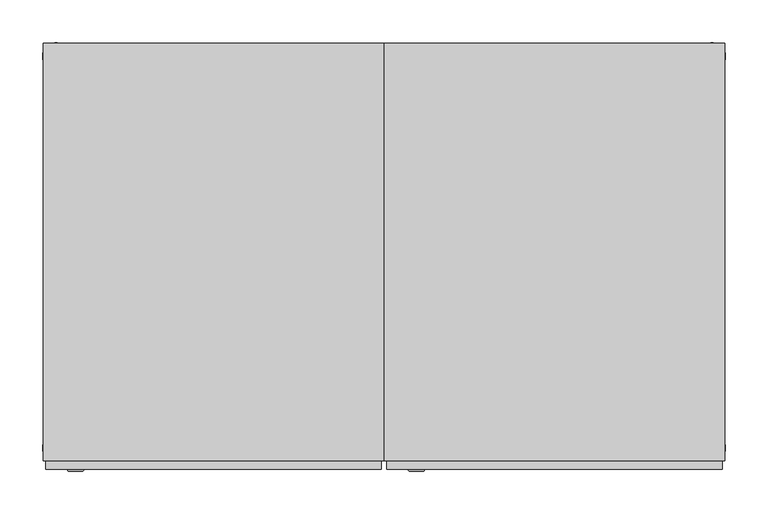
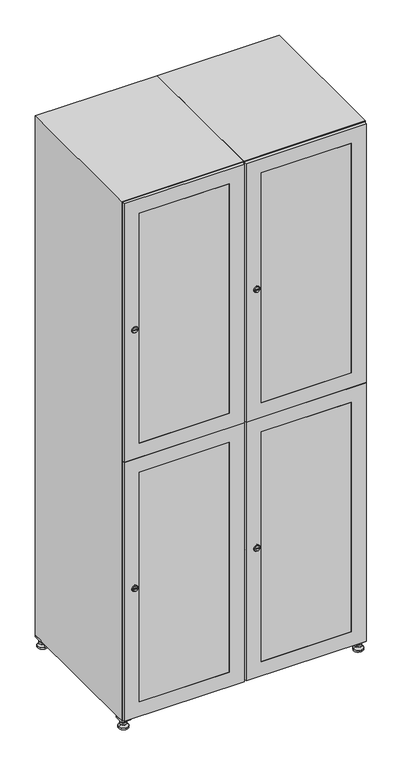
"""IFC4 building model written with IfcOpenShell, lengths in millimetres: furniture geometry."""

import ifcopenshell
import ifcopenshell.guid

model = None  # the IFC model being written
_history = None  # IfcOwnerHistory: only IFC2X3 demands one
_inside = {}  # id of a spatial element -> (the spatial element, [elements in it])
_under = {}  # id of a project, library or spatial element -> (it, [spatial elements below it])
_declared = {}  # id of a project -> (the project, [libraries it declares])
_typed = {}  # id of a type object -> (the type object, [elements of that type])
_made_of = {}  # id of a material, layer set ... -> (it, [elements and type objects made of it])


def new_model(schema):
    """Start an empty IFC model of exactly this schema.

    Asked for "IFC4X3", IfcOpenShell would pick the latest addendum, in which some entities
    have other attributes; the version numbers below select the first issue.
    IFC2X3 requires an IfcOwnerHistory on every rooted entity: one is made here for all.
    """
    global model, _history
    if schema == "IFC4X3":
        model = ifcopenshell.file(schema_version=(4, 3, 0, 0))
    else:
        model = ifcopenshell.file(schema=schema)
    _inside.clear()
    _under.clear()
    _declared.clear()
    _typed.clear()
    _made_of.clear()
    _history = None
    if model.schema == "IFC2X3":
        org = make("IfcOrganization", Name="unknown")
        user = make(
            "IfcPersonAndOrganization",
            ThePerson=make("IfcPerson", FamilyName="unknown"),
            TheOrganization=org,
        )
        app = make(
            "IfcApplication",
            ApplicationDeveloper=org,
            Version="unknown",
            ApplicationFullName="unknown",
            ApplicationIdentifier="unknown",
        )
        _history = make(
            "IfcOwnerHistory",
            OwningUser=user,
            OwningApplication=app,
            ChangeAction="ADDED",
            CreationDate=0,
        )
    return model


def make(cls, **values):
    """One entity of the class cls with the attributes given. An attribute that is None is left unset."""
    return model.create_entity(
        cls, **{name: value for name, value in values.items() if value is not None}
    )


def rooted(cls, **values):
    """An entity with a GlobalId (a new one), such as an element, a storey or a relation."""
    return make(cls, GlobalId=ifcopenshell.guid.new(), OwnerHistory=_history, **values)


def si_unit(unit_type, name, prefix=None):
    """IfcSIUnit, for example si_unit("LENGTHUNIT", "METRE", prefix="MILLI")."""
    return make("IfcSIUnit", UnitType=unit_type, Prefix=prefix, Name=name)


def assignment(units):
    """IfcUnitAssignment: the units of a project."""
    return None if units is None else make("IfcUnitAssignment", Units=units)


def point(xyz):
    """IfcCartesianPoint."""
    return None if xyz is None else make("IfcCartesianPoint", Coordinates=xyz)


def direction(xyz):
    """IfcDirection."""
    return None if xyz is None else make("IfcDirection", DirectionRatios=xyz)


def frame(location, z_axis=None, x_axis=None):
    """IfcAxis2Placement3D, a coordinate frame: its origin and axes. An axis left out is left unset."""
    return make(
        "IfcAxis2Placement3D",
        Location=point(location),
        Axis=direction(z_axis),
        RefDirection=direction(x_axis),
    )


def frame_2d(location, x_axis=None):
    """IfcAxis2Placement2D, a coordinate frame in the plane: its origin and x axis."""
    return make(
        "IfcAxis2Placement2D", Location=point(location), RefDirection=direction(x_axis)
    )


def origin():
    """The frame at (0, 0, 0) with its axes left unset."""
    return frame((0.0, 0.0, 0.0))


def origin_with_axes():
    """The frame at (0, 0, 0) with the z axis (0, 0, 1) and the x axis (1, 0, 0) written out."""
    return frame((0.0, 0.0, 0.0), z_axis=(0.0, 0.0, 1.0), x_axis=(1.0, 0.0, 0.0))


def place(relative_to, where):
    """IfcLocalPlacement: puts the frame where relative to a parent placement (None: the world)."""
    return make(
        "IfcLocalPlacement", PlacementRelTo=relative_to, RelativePlacement=where
    )


def context(
    kind, dimensions, precision=None, world=None, true_north=None, identifier=None
):
    """IfcGeometricRepresentationContext, for example the 3D "Model" context."""
    return make(
        "IfcGeometricRepresentationContext",
        ContextIdentifier=identifier,
        ContextType=kind,
        CoordinateSpaceDimension=dimensions,
        Precision=precision,
        WorldCoordinateSystem=world,
        TrueNorth=true_north,
    )


def project(units=None, contexts=None):
    """IfcProject with its units and contexts."""
    return rooted(
        "IfcProject",
        Name="project",
        RepresentationContexts=contexts,
        UnitsInContext=assignment(units),
    )


def spatial(cls, under=None, at=None, **own):
    """A site, building, storey or space (cls), placed at a placement, below another one or the project."""
    s = rooted(cls, ObjectPlacement=at, **own)
    if under is not None:
        _under.setdefault(under.id(), (under, []))[1].append(s)
    return s


def polyline(points):
    """IfcPolyline through the points."""
    return make("IfcPolyline", Points=[point(p) for p in points])


def circle_curve(where, radius):
    """IfcCircle in the frame where."""
    return make("IfcCircle", Position=where, Radius=radius)


def trimmed(basis, trim1, trim2, sense, master):
    """IfcTrimmedCurve: the piece of a basis curve between two trims."""
    return make(
        "IfcTrimmedCurve",
        BasisCurve=basis,
        Trim1=trim1,
        Trim2=trim2,
        SenseAgreement=sense,
        MasterRepresentation=master,
    )


def segment(curve, same_sense, transition):
    """IfcCompositeCurveSegment."""
    return make(
        "IfcCompositeCurveSegment",
        Transition=transition,
        SameSense=same_sense,
        ParentCurve=curve,
    )


def composite_curve(segments, self_intersect=None):
    """IfcCompositeCurve: segments joined end to end."""
    return make("IfcCompositeCurve", Segments=segments, SelfIntersect=self_intersect)


def outline(outer, holes=None, kind="AREA"):
    """IfcArbitraryClosedProfileDef: a profile drawn as a closed curve; with holes, ...WithVoids."""
    if holes is None:
        return make("IfcArbitraryClosedProfileDef", ProfileType=kind, OuterCurve=outer)
    return make(
        "IfcArbitraryProfileDefWithVoids",
        ProfileType=kind,
        OuterCurve=outer,
        InnerCurves=holes,
    )


def extrude(swept, where, along, depth):
    """IfcExtrudedAreaSolid: the profile swept, set in the frame where, extruded along a direction by depth."""
    return make(
        "IfcExtrudedAreaSolid",
        SweptArea=swept,
        Position=where,
        ExtrudedDirection=direction(along),
        Depth=depth,
    )


def faces_of(points, faces, orient=None, outer=None):
    """IfcFace entities. A face is a list of loops; a loop is a list of indices into points, from 0.

    orient and outer hold one flag for each loop. By default every Orientation is true, the
    first loop of a face is its IfcFaceOuterBound and the others are IfcFaceBound.
    """
    made = []
    for i, loops in enumerate(faces):
        bounds = []
        for j, loop in enumerate(loops):
            is_outer = j == 0 if outer is None else outer[i][j]
            bounds.append(
                make(
                    "IfcFaceOuterBound" if is_outer else "IfcFaceBound",
                    Bound=make("IfcPolyLoop", Polygon=[points[k] for k in loop]),
                    Orientation=True if orient is None else orient[i][j],
                )
            )
        made.append(make("IfcFace", Bounds=bounds))
    return made


def faceted_brep(points, faces, orient=None, outer=None, voids=None):
    """IfcFacetedBrep: a solid bounded by flat faces; with voids (closed shells), ...WithVoids."""
    shared = [point(p) for p in points]
    hull = make("IfcClosedShell", CfsFaces=faces_of(shared, faces, orient, outer))
    if voids is None:
        return make("IfcFacetedBrep", Outer=hull)
    return make(
        "IfcFacetedBrepWithVoids",
        Outer=hull,
        Voids=[
            make(cls, CfsFaces=faces_of(shared, fs, o, b)) for cls, fs, o, b in voids
        ],
    )


def shape(context_of_items, identifier, shape_type, items):
    """IfcShapeRepresentation: the items that make up one representation, for example the "Body"."""
    return make(
        "IfcShapeRepresentation",
        ContextOfItems=context_of_items,
        RepresentationIdentifier=identifier,
        RepresentationType=shape_type,
        Items=items,
    )


def source(mapping_origin, context_of_items, identifier, shape_type, items):
    """IfcRepresentationMap: a shape defined once, which mapped items show again and again."""
    return make(
        "IfcRepresentationMap",
        MappingOrigin=mapping_origin,
        MappedRepresentation=shape(context_of_items, identifier, shape_type, items),
    )


def transform(
    local_origin,
    x_axis=None,
    y_axis=None,
    z_axis=None,
    scale=None,
    scale2=None,
    scale3=None,
    uniform=True,
):
    """IfcCartesianTransformationOperator3D, or its non-uniform kind. x_axis, y_axis, z_axis: its Axis1, 2, 3."""
    if uniform:
        return make(
            "IfcCartesianTransformationOperator3D",
            Axis1=direction(x_axis),
            Axis2=direction(y_axis),
            LocalOrigin=point(local_origin),
            Scale=scale,
            Axis3=direction(z_axis),
        )
    return make(
        "IfcCartesianTransformationOperator3DnonUniform",
        Axis1=direction(x_axis),
        Axis2=direction(y_axis),
        LocalOrigin=point(local_origin),
        Scale=scale,
        Axis3=direction(z_axis),
        Scale2=scale2,
        Scale3=scale3,
    )


def mapped(mapping_source, mapping_target):
    """IfcMappedItem: shows the shape of a source again, moved by a transform."""
    return make(
        "IfcMappedItem", MappingSource=mapping_source, MappingTarget=mapping_target
    )


def made_of(thing, what):
    """Note that an element or type object is made of a material, layer set ...; save() writes the relation."""
    if what is not None:
        _made_of.setdefault(what.id(), (what, []))[1].append(thing)
    return thing


def element(
    cls,
    number,
    at=None,
    inside=None,
    cuts=None,
    type_object=None,
    material=None,
    context=None,
    identifier="Body",
    shape_type=None,
    held_by="IfcProductDefinitionShape",
    body=None,
    shapes=None,
    **own,
):
    """One element of the class cls, such as IfcWall. Its Tag is "e" and its number.

    at: its placement. inside: the storey or other place that contains it. cuts: it is an
    opening in that element (IfcRelVoidsElement). A single representation is given by context,
    identifier, shape_type and body (its items); several are given by shapes. held_by: the class
    of the entity that holds the representations. save() writes the other relations.
    """
    e = rooted(cls, Tag="e%d" % number, ObjectPlacement=at, **own)
    if body is not None:
        shapes = [shape(context, identifier, shape_type, body)]
    if shapes is not None:
        e.Representation = make(held_by, Representations=shapes)
    if inside is not None:
        _inside.setdefault(inside.id(), (inside, []))[1].append(e)
    if cuts is not None:
        rooted(
            "IfcRelVoidsElement", RelatingBuildingElement=cuts, RelatedOpeningElement=e
        )
    if type_object is not None:
        _typed.setdefault(type_object.id(), (type_object, []))[1].append(e)
    return made_of(e, material)


def aggregate(whole, parts):
    """IfcRelAggregates: a whole, such as a stair, and the parts it consists of."""
    return rooted("IfcRelAggregates", RelatingObject=whole, RelatedObjects=parts)


def save(model, path):
    """Write the relations noted so far, then the file.

    IfcRelAggregates (storeys below a building ...), IfcRelContainedInSpatialStructure (elements
    in a storey), IfcRelDefinesByType, IfcRelAssociatesMaterial and IfcRelDeclares: one each for
    every whole, place, type object, material and project.
    """
    for whole, parts in _under.values():
        aggregate(whole, parts)
    for where, things in _inside.values():
        rooted(
            "IfcRelContainedInSpatialStructure",
            RelatedElements=things,
            RelatingStructure=where,
        )
    for kind, things in _typed.values():
        rooted("IfcRelDefinesByType", RelatedObjects=things, RelatingType=kind)
    for what, things in _made_of.values():
        rooted("IfcRelAssociatesMaterial", RelatedObjects=things, RelatingMaterial=what)
    for by, libraries in _declared.values():
        rooted("IfcRelDeclares", RelatingContext=by, RelatedDefinitions=libraries)
    model.write(path)


def plane_surface(at):
    """IfcPlane: the flat surface through the origin of the frame at, square to its z axis."""
    return make("IfcPlane", Position=at)


def revolved_surface(curve, axis_point, axis_direction):
    """IfcSurfaceOfRevolution: the curve turned about the line through axis_point along axis_direction."""
    return make(
        "IfcSurfaceOfRevolution",
        SweptCurve=make("IfcArbitraryOpenProfileDef", ProfileType="CURVE", Curve=curve),
        AxisPosition=make("IfcAxis1Placement", Location=point(axis_point), Axis=direction(axis_direction)),
    )


def advanced_brep(points, edges, surfaces, faces):
    """IfcAdvancedBrep: a solid bounded by faces that lie on surfaces and meet in shared edges.

    An edge is (start, end): straight between two places in points (the first is 0);
    or (start, end, curve); or (start, end, curve, False) where it runs against its curve.
    A face is (place in surfaces, loops), or (place, loops, False) where it looks against
    its surface's normal. A loop lists edges by number (the first is 1), with a minus sign
    where the edge is run from its end to its start. The first loop is the outer one.
    """
    corners = [point(p) for p in points]
    vertices = [make("IfcVertexPoint", VertexGeometry=c) for c in corners]
    made = []
    for start, end, *more in edges:
        made.append(
            make(
                "IfcEdgeCurve",
                EdgeStart=vertices[start],
                EdgeEnd=vertices[end],
                EdgeGeometry=more[0] if more else make("IfcPolyline", Points=[corners[start], corners[end]]),
                SameSense=more[1] if len(more) > 1 else True,
            )
        )
    hull = []
    for where, loops, *sense in faces:
        bounds = []
        for j, loop in enumerate(loops):
            ring = [make("IfcOrientedEdge", EdgeElement=made[abs(k) - 1], Orientation=k > 0) for k in loop]
            bounds.append(
                make(
                    "IfcFaceOuterBound" if j == 0 else "IfcFaceBound",
                    Bound=make("IfcEdgeLoop", EdgeList=ring),
                    Orientation=True,
                )
            )
        hull.append(make("IfcAdvancedFace", Bounds=bounds, FaceSurface=surfaces[where], SameSense=sense[0] if sense else True))
    return make("IfcAdvancedBrep", Outer=make("IfcClosedShell", CfsFaces=hull))


def furniture_d1d9aa36(model_context):
    return source(origin(), model_context, "Body", "SolidModel", [
        extrude(outline(polyline([(600.0, 245.0), (600.0, 215.0), (570.0, 215.0), (570.0, 245.0), (600.0, 245.0)]), holes=[polyline([(598.0, 243.0), (572.0, 243.0), (572.0, 217.0), (598.0, 217.0), (598.0, 243.0)])]), frame((0.0, 0.0, 28.5), z_axis=(0.0, 0.0, 1.0), x_axis=(1.0, 0.0, 0.0)), (0.0, 0.0, 1.0), 6.5),
        extrude(outline(polyline([(570.0, -245.0), (570.0, -215.0), (600.0, -215.0), (600.0, -245.0), (570.0, -245.0)]), holes=[polyline([(572.0, -243.0), (598.0, -243.0), (598.0, -217.0), (572.0, -217.0), (572.0, -243.0)])]), frame((0.0, 0.0, 28.5), z_axis=(0.0, 0.0, 1.0), x_axis=(1.0, 0.0, 0.0)), (0.0, 0.0, 1.0), 6.5),
        extrude(outline(polyline([(-170.0, 245.0), (-170.0, 215.0), (-200.0, 215.0), (-200.0, 245.0), (-170.0, 245.0)]), holes=[polyline([(-172.0, 243.0), (-198.0, 243.0), (-198.0, 217.0), (-172.0, 217.0), (-172.0, 243.0)])]), frame((0.0, 0.0, 28.5), z_axis=(0.0, 0.0, 1.0), x_axis=(1.0, 0.0, 0.0)), (0.0, 0.0, 1.0), 6.5),
        extrude(outline(polyline([(-170.0, -215.0), (-170.0, -245.0), (-200.0, -245.0), (-200.0, -215.0), (-170.0, -215.0)]), holes=[polyline([(-198.0, -243.0), (-172.0, -243.0), (-172.0, -217.0), (-198.0, -217.0), (-198.0, -243.0)])]), frame((0.0, 0.0, 28.5), z_axis=(0.0, 0.0, 1.0), x_axis=(1.0, 0.0, 0.0)), (0.0, 0.0, 1.0), 6.5),
        extrude(outline(composite_curve([segment(trimmed(circle_curve(frame_2d((-185.0, 230.0)), 5.0), [point((-180.0, 230.0))], [point((-190.0, 230.0))], False, "CARTESIAN"), True, "CONTINUOUS"), segment(trimmed(circle_curve(frame_2d((-185.0, 230.0)), 5.0), [point((-190.0, 230.0))], [point((-180.0, 230.0))], False, "CARTESIAN"), True, "CONTINUOUS")], self_intersect=False)), frame((0.0, 0.0, 19.6), z_axis=(0.0, 0.0, 1.0), x_axis=(1.0, 0.0, 0.0)), (0.0, 0.0, 1.0), 15.4),
        extrude(outline(composite_curve([segment(trimmed(circle_curve(frame_2d((-185.0, -230.0)), 5.0), [point((-180.0, -230.0))], [point((-190.0, -230.0))], False, "CARTESIAN"), True, "CONTINUOUS"), segment(trimmed(circle_curve(frame_2d((-185.0, -230.0)), 5.0), [point((-190.0, -230.0))], [point((-180.0, -230.0))], False, "CARTESIAN"), True, "CONTINUOUS")], self_intersect=False)), frame((0.0, 0.0, 19.6), z_axis=(0.0, 0.0, 1.0), x_axis=(1.0, 0.0, 0.0)), (0.0, 0.0, 1.0), 15.4),
        extrude(outline(composite_curve([segment(trimmed(circle_curve(frame_2d((585.0, 230.0)), 5.0), [point((590.0, 230.0))], [point((580.0, 230.0))], False, "CARTESIAN"), True, "CONTINUOUS"), segment(trimmed(circle_curve(frame_2d((585.0, 230.0)), 5.0), [point((580.0, 230.0))], [point((590.0, 230.0))], False, "CARTESIAN"), True, "CONTINUOUS")], self_intersect=False)), frame((0.0, 0.0, 19.6), z_axis=(0.0, 0.0, 1.0), x_axis=(1.0, 0.0, 0.0)), (0.0, 0.0, 1.0), 15.4),
        extrude(outline(polyline([(573.4529946, 230.0), (579.2264973, 240.0), (590.7735027, 240.0), (596.5470054, 230.0), (590.7735027, 220.0), (579.2264973, 220.0), (573.4529946, 230.0)])), frame((0.0, 0.0, 13.6), z_axis=(0.0, 0.0, 1.0), x_axis=(1.0, 0.0, 0.0)), (0.0, 0.0, 1.0), 6.0),
        extrude(outline(composite_curve([segment(trimmed(circle_curve(frame_2d((585.0, -230.0)), 5.0), [point((590.0, -230.0))], [point((580.0, -230.0))], False, "CARTESIAN"), True, "CONTINUOUS"), segment(trimmed(circle_curve(frame_2d((585.0, -230.0)), 5.0), [point((580.0, -230.0))], [point((590.0, -230.0))], False, "CARTESIAN"), True, "CONTINUOUS")], self_intersect=False)), frame((0.0, 0.0, 19.6), z_axis=(0.0, 0.0, 1.0), x_axis=(1.0, 0.0, 0.0)), (0.0, 0.0, 1.0), 15.4),
        extrude(outline(polyline([(573.4529946, -230.0), (579.2264973, -220.0), (590.7735027, -220.0), (596.5470054, -230.0), (590.7735027, -240.0), (579.2264973, -240.0), (573.4529946, -230.0)])), frame((0.0, 0.0, 13.6), z_axis=(0.0, 0.0, 1.0), x_axis=(1.0, 0.0, 0.0)), (0.0, 0.0, 1.0), 6.0),
        extrude(outline(composite_curve([segment(trimmed(circle_curve(frame_2d((585.0, 230.0)), 5.0), [point((590.0, 230.0))], [point((580.0, 230.0))], False, "CARTESIAN"), True, "CONTINUOUS"), segment(trimmed(circle_curve(frame_2d((585.0, 230.0)), 5.0), [point((580.0, 230.0))], [point((590.0, 230.0))], False, "CARTESIAN"), True, "CONTINUOUS")], self_intersect=False)), frame((0.0, 0.0, 12.1), z_axis=(0.0, 0.0, 1.0), x_axis=(1.0, 0.0, 0.0)), (0.0, 0.0, 1.0), 1.5),
        extrude(outline(composite_curve([segment(trimmed(circle_curve(frame_2d((585.0, -230.0)), 5.0), [point((590.0, -230.0))], [point((580.0, -230.0))], False, "CARTESIAN"), True, "CONTINUOUS"), segment(trimmed(circle_curve(frame_2d((585.0, -230.0)), 5.0), [point((580.0, -230.0))], [point((590.0, -230.0))], False, "CARTESIAN"), True, "CONTINUOUS")], self_intersect=False)), frame((0.0, 0.0, 12.1), z_axis=(0.0, 0.0, 1.0), x_axis=(1.0, 0.0, 0.0)), (0.0, 0.0, 1.0), 1.5),
        extrude(outline(polyline([(-196.5470054, 230.0), (-190.7735027, 240.0), (-179.2264973, 240.0), (-173.4529946, 230.0), (-179.2264973, 220.0), (-190.7735027, 220.0), (-196.5470054, 230.0)])), frame((0.0, 0.0, 13.6), z_axis=(0.0, 0.0, 1.0), x_axis=(1.0, 0.0, 0.0)), (0.0, 0.0, 1.0), 6.0),
        extrude(outline(polyline([(-196.5470054, -230.0), (-190.7735027, -220.0), (-179.2264973, -220.0), (-173.4529946, -230.0), (-179.2264973, -240.0), (-190.7735027, -240.0), (-196.5470054, -230.0)])), frame((0.0, 0.0, 13.6), z_axis=(0.0, 0.0, 1.0), x_axis=(1.0, 0.0, 0.0)), (0.0, 0.0, 1.0), 6.0),
        extrude(outline(composite_curve([segment(trimmed(circle_curve(frame_2d((-185.0, 230.0)), 5.0), [point((-185.0, 235.0))], [point((-185.0, 225.0))], False, "CARTESIAN"), True, "CONTINUOUS"), segment(trimmed(circle_curve(frame_2d((-185.0, 230.0)), 5.0), [point((-185.0, 225.0))], [point((-185.0, 235.0))], False, "CARTESIAN"), True, "CONTINUOUS")], self_intersect=False)), frame((0.0, 0.0, 12.1), z_axis=(0.0, 0.0, 1.0), x_axis=(1.0, 0.0, 0.0)), (0.0, 0.0, 1.0), 1.5),
        extrude(outline(composite_curve([segment(trimmed(circle_curve(frame_2d((-185.0, -230.0)), 5.0), [point((-180.0, -230.0))], [point((-190.0, -230.0))], False, "CARTESIAN"), True, "CONTINUOUS"), segment(trimmed(circle_curve(frame_2d((-185.0, -230.0)), 5.0), [point((-190.0, -230.0))], [point((-180.0, -230.0))], False, "CARTESIAN"), True, "CONTINUOUS")], self_intersect=False)), frame((0.0, 0.0, 12.1), z_axis=(0.0, 0.0, 1.0), x_axis=(1.0, 0.0, 0.0)), (0.0, 0.0, 1.0), 1.5),
        extrude(outline(composite_curve([segment(trimmed(circle_curve(frame_2d((585.0, 230.0)), 15.75), [point((600.75, 230.0))], [point((569.25, 230.0))], False, "CARTESIAN"), True, "CONTINUOUS"), segment(trimmed(circle_curve(frame_2d((585.0, 230.0)), 15.75), [point((569.25, 230.0))], [point((600.75, 230.0))], False, "CARTESIAN"), True, "CONTINUOUS")], self_intersect=False)), origin_with_axes(), (0.0, 0.0, 1.0), 5.1),
        extrude(outline(composite_curve([segment(trimmed(circle_curve(frame_2d((585.0, -230.0)), 15.75), [point((585.0, -214.25))], [point((585.0, -245.75))], False, "CARTESIAN"), True, "CONTINUOUS"), segment(trimmed(circle_curve(frame_2d((585.0, -230.0)), 15.75), [point((585.0, -245.75))], [point((585.0, -214.25))], False, "CARTESIAN"), True, "CONTINUOUS")], self_intersect=False)), origin_with_axes(), (0.0, 0.0, 1.0), 5.1),
        extrude(outline(composite_curve([segment(trimmed(circle_curve(frame_2d((-185.0, -230.0)), 15.75), [point((-169.25, -230.0))], [point((-200.75, -230.0))], False, "CARTESIAN"), True, "CONTINUOUS"), segment(trimmed(circle_curve(frame_2d((-185.0, -230.0)), 15.75), [point((-200.75, -230.0))], [point((-169.25, -230.0))], False, "CARTESIAN"), True, "CONTINUOUS")], self_intersect=False)), origin_with_axes(), (0.0, 0.0, 1.0), 5.1),
        extrude(outline(composite_curve([segment(trimmed(circle_curve(frame_2d((-185.0, 230.0)), 15.75), [point((-169.25, 230.0))], [point((-200.75, 230.0))], False, "CARTESIAN"), True, "CONTINUOUS"), segment(trimmed(circle_curve(frame_2d((-185.0, 230.0)), 15.75), [point((-200.75, 230.0))], [point((-169.25, 230.0))], False, "CARTESIAN"), True, "CONTINUOUS")], self_intersect=False)), origin_with_axes(), (0.0, 0.0, 1.0), 5.1),
        advanced_brep(
        [(-185.0, 239.5, 12.1), (-185.0, 220.5, 12.1), (-185.0, 214.25, 5.1), (-185.0, 245.75, 5.1)],
        [
            (0, 1, circle_curve(frame((-185.0, 230.0, 12.1), z_axis=(0.0, 0.0, -1.0), x_axis=(0.0, 1.0, 0.0)), 9.5)),
            (1, 2),
            (2, 3, circle_curve(frame((-185.0, 230.0, 5.1), z_axis=(0.0, 0.0, 1.0), x_axis=(0.0, 1.0, 0.0)), 15.75)),
            (3, 0),
            (1, 0, circle_curve(frame((-185.0, 230.0, 12.1), z_axis=(0.0, 0.0, -1.0), x_axis=(0.0, -1.0, 0.0)), 9.5)),
            (3, 2, circle_curve(frame((-185.0, 230.0, 5.1), z_axis=(0.0, 0.0, 1.0), x_axis=(0.0, -1.0, 0.0)), 15.75)),
        ],
        [
            revolved_surface(polyline([(-185.0, 220.5, 12.099999999999998), (-185.0, 214.25, 5.099999999999998)]), (-185.0, 230.0, 22.74), (0.0, 0.0, -1.0)),
            revolved_surface(polyline([(-185.0, 239.5, 12.099999999999998), (-185.0, 245.75, 5.099999999999998)]), (-185.0, 230.0, 22.74), (0.0, 0.0, -1.0)),
            plane_surface(frame((-185.0, 230.0, 5.1), z_axis=(0.0, 0.0, -1.0), x_axis=(1.0, 0.0, 0.0))),
            plane_surface(frame((-185.0, 230.0, 12.1), z_axis=(0.0, 0.0, 1.0), x_axis=(1.0, 0.0, 0.0))),
        ],
        [
            (0, [[1, 2, 3, 4]]),
            (1, [[5, -4, 6, -2]]),
            (2, [[-3, -6]]),
            (3, [[-5, -1]]),
        ],
    ),
        advanced_brep(
        [(585.0, 239.5, 12.1), (585.0, 220.5, 12.1), (585.0, 214.25, 5.1), (585.0, 245.75, 5.1)],
        [
            (0, 1, circle_curve(frame((585.0, 230.0, 12.1), z_axis=(0.0, 0.0, -1.0), x_axis=(0.0, 1.0, 0.0)), 9.5)),
            (1, 2),
            (2, 3, circle_curve(frame((585.0, 230.0, 5.1), z_axis=(0.0, 0.0, 1.0), x_axis=(0.0, 1.0, 0.0)), 15.75)),
            (3, 0),
            (1, 0, circle_curve(frame((585.0, 230.0, 12.1), z_axis=(0.0, 0.0, -1.0), x_axis=(0.0, -1.0, 0.0)), 9.5)),
            (3, 2, circle_curve(frame((585.0, 230.0, 5.1), z_axis=(0.0, 0.0, 1.0), x_axis=(0.0, -1.0, 0.0)), 15.75)),
        ],
        [
            revolved_surface(polyline([(585.0, 220.5, 12.099999999999998), (585.0, 214.25, 5.099999999999998)]), (585.0, 230.0, 22.74), (0.0, 0.0, -1.0)),
            revolved_surface(polyline([(585.0, 239.5, 12.099999999999998), (585.0, 245.75, 5.099999999999998)]), (585.0, 230.0, 22.74), (0.0, 0.0, -1.0)),
            plane_surface(frame((585.0, 230.0, 5.1), z_axis=(0.0, 0.0, -1.0), x_axis=(1.0, 0.0, 0.0))),
            plane_surface(frame((585.0, 230.0, 12.1), z_axis=(0.0, 0.0, 1.0), x_axis=(1.0, 0.0, 0.0))),
        ],
        [
            (0, [[1, 2, 3, 4]]),
            (1, [[5, -4, 6, -2]]),
            (2, [[-3, -6]]),
            (3, [[-5, -1]]),
        ],
    ),
        advanced_brep(
        [(600.75, -230.0, 5.1), (569.25, -230.0, 5.1), (575.5, -230.0, 12.1), (594.5, -230.0, 12.1)],
        [
            (0, 1, circle_curve(frame((585.0, -230.0, 5.1), z_axis=(0.0, 0.0, 1.0), x_axis=(1.0, 0.0, 0.0)), 15.75)),
            (1, 2),
            (2, 3, circle_curve(frame((585.0, -230.0, 12.1), z_axis=(0.0, 0.0, -1.0), x_axis=(1.0, 0.0, 0.0)), 9.5)),
            (3, 0),
            (1, 0, circle_curve(frame((585.0, -230.0, 5.1), z_axis=(0.0, 0.0, 1.0), x_axis=(-1.0, 0.0, 0.0)), 15.75)),
            (3, 2, circle_curve(frame((585.0, -230.0, 12.1), z_axis=(0.0, 0.0, -1.0), x_axis=(-1.0, 0.0, 0.0)), 9.5)),
        ],
        [
            revolved_surface(polyline([(594.5, -230.0, 12.099999999999998), (600.75, -230.0, 5.099999999999998)]), (585.0, -230.0, 22.74), (0.0, 0.0, -1.0)),
            revolved_surface(polyline([(575.5, -230.0, 12.099999999999998), (569.25, -230.0, 5.099999999999998)]), (585.0, -230.0, 22.74), (0.0, 0.0, -1.0)),
            plane_surface(frame((585.0, -230.0, 12.1), z_axis=(0.0, 0.0, 1.0), x_axis=(0.0, 1.0, 0.0))),
            plane_surface(frame((585.0, -230.0, 5.1), z_axis=(0.0, 0.0, -1.0), x_axis=(0.0, 1.0, 0.0))),
        ],
        [
            (0, [[1, 2, 3, 4]]),
            (1, [[5, -4, 6, -2]]),
            (2, [[-3, -6]]),
            (3, [[-5, -1]]),
        ],
    ),
        advanced_brep(
        [(-169.25, -230.0, 5.1), (-200.75, -230.0, 5.1), (-194.5, -230.0, 12.1), (-175.5, -230.0, 12.1)],
        [
            (0, 1, circle_curve(frame((-185.0, -230.0, 5.1), z_axis=(0.0, 0.0, 1.0), x_axis=(1.0, 0.0, 0.0)), 15.75)),
            (1, 2),
            (2, 3, circle_curve(frame((-185.0, -230.0, 12.1), z_axis=(0.0, 0.0, -1.0), x_axis=(1.0, 0.0, 0.0)), 9.5)),
            (3, 0),
            (1, 0, circle_curve(frame((-185.0, -230.0, 5.1), z_axis=(0.0, 0.0, 1.0), x_axis=(-1.0, 0.0, 0.0)), 15.75)),
            (3, 2, circle_curve(frame((-185.0, -230.0, 12.1), z_axis=(0.0, 0.0, -1.0), x_axis=(-1.0, 0.0, 0.0)), 9.5)),
        ],
        [
            revolved_surface(polyline([(-175.5, -230.0, 12.099999999999998), (-169.25, -230.0, 5.099999999999998)]), (-185.0, -230.0, 22.74), (0.0, 0.0, -1.0)),
            revolved_surface(polyline([(-194.5, -230.0, 12.099999999999998), (-200.75, -230.0, 5.099999999999998)]), (-185.0, -230.0, 22.74), (0.0, 0.0, -1.0)),
            plane_surface(frame((-185.0, -230.0, 12.1), z_axis=(0.0, 0.0, 1.0), x_axis=(0.0, 1.0, 0.0))),
            plane_surface(frame((-185.0, -230.0, 5.1), z_axis=(0.0, 0.0, -1.0), x_axis=(0.0, 1.0, 0.0))),
        ],
        [
            (0, [[1, 2, 3, 4]]),
            (1, [[5, -4, 6, -2]]),
            (2, [[-3, -6]]),
            (3, [[-5, -1]]),
        ],
    ),
        extrude(outline(composite_curve([segment(trimmed(circle_curve(frame_2d((1383.5, 211.2010534)), 7.0), [point((1390.5, 211.2010534))], [point((1376.5, 211.2010534))], False, "CARTESIAN"), True, "CONTINUOUS"), segment(polyline([(1376.5, 211.2010534), (1376.5, 239.2010534)]), True, "CONTINUOUS"), segment(trimmed(circle_curve(frame_2d((1383.5, 239.2010534)), 7.0), [point((1376.5, 239.2010534))], [point((1390.5, 239.2010534))], False, "CARTESIAN"), True, "CONTINUOUS"), segment(polyline([(1390.5, 239.2010534), (1390.5, 211.2010534)]), True, "CONTINUOUS")], self_intersect=False)), frame((0.0, -245.0, 0.0), z_axis=(0.0, 1.0, 0.0), x_axis=(0.0, 0.0, 1.0)), (0.0, 0.0, 1.0), 2.0),
        advanced_brep(
        [(246.5, -257.2, 1383.5), (229.5, -257.2, 1383.5), (233.0, -257.2, 1382.25), (233.0, -257.2, 1384.75), (243.0, -257.2, 1384.75), (243.0, -257.2, 1382.25), (248.5, -255.0, 1383.5), (227.5, -255.0, 1383.5), (233.0, -255.0, 1384.75), (233.0, -255.0, 1382.25), (243.0, -255.0, 1382.25), (243.0, -255.0, 1384.75)],
        [
            (0, 1, circle_curve(frame((238.0, -257.2, 1383.5), z_axis=(0.0, -1.0, 0.0), x_axis=(1.0, 0.0, 0.0)), 8.5)),
            (1, 0, circle_curve(frame((238.0, -257.2, 1383.5), z_axis=(0.0, -1.0, 0.0), x_axis=(-1.0, 0.0, 0.0)), 8.5)),
            (2, 3),
            (3, 4),
            (4, 5),
            (5, 2),
            (6, 7, circle_curve(frame((238.0, -255.0, 1383.5), z_axis=(0.0, 1.0, 0.0), x_axis=(-1.0, 0.0, 0.0)), 10.5)),
            (7, 6, circle_curve(frame((238.0, -255.0, 1383.5), z_axis=(0.0, 1.0, 0.0), x_axis=(1.0, 0.0, 0.0)), 10.5)),
            (8, 9),
            (9, 10),
            (10, 11),
            (11, 8),
            (0, 6),
            (7, 1),
            (8, 3),
            (2, 9),
            (11, 4),
            (10, 5),
        ],
        [
            plane_surface(frame((238.0, -257.2, 1383.5), z_axis=(0.0, -1.0, 0.0), x_axis=(0.0, 0.0, 1.0))),
            plane_surface(frame((238.0, -255.0, 1383.5), z_axis=(0.0, 1.0, 0.0), x_axis=(0.0, 0.0, 1.0))),
            revolved_surface(polyline([(246.5, -257.2, 1383.5), (248.5, -255.0, 1383.5)]), (238.0, -266.55, 1383.5), (0.0, 1.0, 0.0)),
            revolved_surface(polyline([(229.5, -257.2, 1383.5), (227.5, -255.0, 1383.5)]), (238.0, -266.55, 1383.5), (0.0, 1.0, 0.0)),
            plane_surface(frame((233.0, -255.0, 1382.25), z_axis=(1.0, 0.0, 0.0), x_axis=(0.0, -1.0, 0.0))),
            plane_surface(frame((233.0, -255.0, 1384.75), z_axis=(0.0, 0.0, -1.0), x_axis=(0.0, -1.0, 0.0))),
            plane_surface(frame((243.0, -255.0, 1384.75), z_axis=(-1.0, 0.0, 0.0), x_axis=(0.0, -1.0, 0.0))),
            plane_surface(frame((243.0, -255.0, 1382.25), z_axis=(0.0, 0.0, 1.0), x_axis=(0.0, -1.0, 0.0))),
        ],
        [
            (0, [[1, 2], [3, 4, 5, 6]]),
            (1, [[7, 8], [9, 10, 11, 12]]),
            (2, [[-1, 13, -8, 14]]),
            (3, [[-2, -14, -7, -13]]),
            (4, [[15, -3, 16, -9]]),
            (5, [[-15, -12, 17, -4]]),
            (6, [[-17, -11, 18, -5]]),
            (7, [[-16, -6, -18, -10]]),
        ],
    ),
        extrude(outline(composite_curve([segment(trimmed(circle_curve(frame_2d((486.5, 211.2010534)), 7.0), [point((493.5, 211.2010534))], [point((479.5, 211.2010534))], False, "CARTESIAN"), True, "CONTINUOUS"), segment(polyline([(479.5, 211.2010534), (479.5, 239.2010534)]), True, "CONTINUOUS"), segment(trimmed(circle_curve(frame_2d((486.5, 239.2010534)), 7.0), [point((479.5, 239.2010534))], [point((493.5, 239.2010534))], False, "CARTESIAN"), True, "CONTINUOUS"), segment(polyline([(493.5, 239.2010534), (493.5, 211.2010534)]), True, "CONTINUOUS")], self_intersect=False)), frame((0.0, -245.0, 0.0), z_axis=(0.0, 1.0, 0.0), x_axis=(0.0, 0.0, 1.0)), (0.0, 0.0, 1.0), 2.0),
        advanced_brep(
        [(246.5, -257.2, 486.5), (229.5, -257.2, 486.5), (233.0, -257.2, 485.25), (233.0, -257.2, 487.75), (243.0, -257.2, 487.75), (243.0, -257.2, 485.25), (248.5, -255.0, 486.5), (227.5, -255.0, 486.5), (233.0, -255.0, 487.75), (233.0, -255.0, 485.25), (243.0, -255.0, 485.25), (243.0, -255.0, 487.75)],
        [
            (0, 1, circle_curve(frame((238.0, -257.2, 486.5), z_axis=(0.0, -1.0, 0.0), x_axis=(1.0, 0.0, 0.0)), 8.5)),
            (1, 0, circle_curve(frame((238.0, -257.2, 486.5), z_axis=(0.0, -1.0, 0.0), x_axis=(-1.0, 0.0, 0.0)), 8.5)),
            (2, 3),
            (3, 4),
            (4, 5),
            (5, 2),
            (6, 7, circle_curve(frame((238.0, -255.0, 486.5), z_axis=(0.0, 1.0, 0.0), x_axis=(-1.0, 0.0, 0.0)), 10.5)),
            (7, 6, circle_curve(frame((238.0, -255.0, 486.5), z_axis=(0.0, 1.0, 0.0), x_axis=(1.0, 0.0, 0.0)), 10.5)),
            (8, 9),
            (9, 10),
            (10, 11),
            (11, 8),
            (0, 6),
            (7, 1),
            (8, 3),
            (2, 9),
            (11, 4),
            (10, 5),
        ],
        [
            plane_surface(frame((238.0, -257.2, 486.5), z_axis=(0.0, -1.0, 0.0), x_axis=(0.0, 0.0, 1.0))),
            plane_surface(frame((238.0, -255.0, 486.5), z_axis=(0.0, 1.0, 0.0), x_axis=(0.0, 0.0, 1.0))),
            revolved_surface(polyline([(246.5, -257.2, 486.5), (248.5, -255.0, 486.5)]), (238.0, -266.55, 486.5), (0.0, 1.0, 0.0)),
            revolved_surface(polyline([(229.5, -257.2, 486.5), (227.5, -255.0, 486.5)]), (238.0, -266.55, 486.5), (0.0, 1.0, 0.0)),
            plane_surface(frame((233.0, -255.0, 485.25), z_axis=(1.0, 0.0, 0.0), x_axis=(0.0, -1.0, 0.0))),
            plane_surface(frame((233.0, -255.0, 487.75), z_axis=(0.0, 0.0, -1.0), x_axis=(0.0, -1.0, 0.0))),
            plane_surface(frame((243.0, -255.0, 487.75), z_axis=(-1.0, 0.0, 0.0), x_axis=(0.0, -1.0, 0.0))),
            plane_surface(frame((243.0, -255.0, 485.25), z_axis=(0.0, 0.0, 1.0), x_axis=(0.0, -1.0, 0.0))),
        ],
        [
            (0, [[1, 2], [3, 4, 5, 6]]),
            (1, [[7, 8], [9, 10, 11, 12]]),
            (2, [[-1, 13, -8, 14]]),
            (3, [[-2, -14, -7, -13]]),
            (4, [[15, -3, 16, -9]]),
            (5, [[-15, -12, 17, -4]]),
            (6, [[-17, -11, 18, -5]]),
            (7, [[-16, -6, -18, -10]]),
        ],
    ),
        extrude(outline(polyline([(935.5, 597.0), (1832.0, 597.0), (1832.0, 203.0), (935.5, 203.0), (935.5, 597.0)]), holes=[polyline([(1782.0, 253.0), (1782.0, 547.0), (985.5, 547.0), (985.5, 253.0), (1782.0, 253.0)])]), frame((0.0, -255.0, 0.0), z_axis=(0.0, 1.0, 0.0), x_axis=(0.0, 0.0, 1.0)), (0.0, 0.0, 1.0), 10.0),
        extrude(outline(polyline([(934.5, 203.0), (38.0, 203.0), (38.0, 597.0), (934.5, 597.0), (934.5, 203.0)]), holes=[polyline([(88.0, 253.0), (884.5, 253.0), (884.5, 547.0), (88.0, 547.0), (88.0, 253.0)])]), frame((0.0, -255.0, 0.0), z_axis=(0.0, 1.0, 0.0), x_axis=(0.0, 0.0, 1.0)), (0.0, 0.0, 1.0), 10.0),
        extrude(outline(polyline([(547.0, -255.0), (253.0, -255.0), (253.0, -245.0), (547.0, -245.0), (547.0, -255.0)])), frame((0.0, 0.0, 985.5), z_axis=(0.0, 0.0, 1.0), x_axis=(1.0, 0.0, 0.0)), (0.0, 0.0, 1.0), 796.5),
        extrude(outline(polyline([(547.0, -255.0), (253.0, -255.0), (253.0, -245.0), (547.0, -245.0), (547.0, -255.0)])), frame((0.0, 0.0, 88.0), z_axis=(0.0, 0.0, 1.0), x_axis=(1.0, 0.0, 0.0)), (0.0, 0.0, 1.0), 796.5),
        extrude(outline(polyline([(579.6, 242.0), (579.6, -235.0), (220.4, -235.0), (220.4, 242.0), (579.6, 242.0)])), frame((0.0, 0.0, 924.8), z_axis=(0.0, 0.0, 1.0), x_axis=(1.0, 0.0, 0.0)), (0.0, 0.0, 1.0), 20.4),
        faceted_brep([(600.0, -245.0, 35.0), (600.0, -245.0, 1835.0), (200.0, -245.0, 1835.0), (200.0, -245.0, 35.0), (579.6, -245.0, 1804.8), (579.6, -245.0, 65.2), (220.4, -245.0, 65.2), (220.4, -245.0, 1804.8), (600.0, 245.0, 35.0), (200.0, 245.0, 35.0), (600.0, 245.0, 1835.0), (200.0, 245.0, 1835.0), (579.6, 242.0, 1804.8), (579.6, 242.0, 65.2), (200.0, 245.0, 1804.8), (220.4, 242.0, 1804.8), (220.4, 242.0, 65.2)], [[[0, 1, 2, 3], [4, 5, 6, 7]], [[8, 0, 3, 9]], [[1, 0, 8, 10]], [[1, 10, 11, 2]], [[4, 12, 13, 5]], [[9, 3, 2, 11, 14]], [[10, 8, 9, 14, 11]], [[12, 15, 16, 13]], [[15, 7, 6, 16]], [[4, 7, 15, 12]], [[6, 5, 13, 16]]]),
        extrude(outline(composite_curve([segment(trimmed(circle_curve(frame_2d((1383.5, -188.7989466)), 7.0), [point((1390.5, -188.7989466))], [point((1376.5, -188.7989466))], False, "CARTESIAN"), True, "CONTINUOUS"), segment(polyline([(1376.5, -188.7989466), (1376.5, -160.7989466)]), True, "CONTINUOUS"), segment(trimmed(circle_curve(frame_2d((1383.5, -160.7989466)), 7.0), [point((1376.5, -160.7989466))], [point((1390.5, -160.7989466))], False, "CARTESIAN"), True, "CONTINUOUS"), segment(polyline([(1390.5, -160.7989466), (1390.5, -188.7989466)]), True, "CONTINUOUS")], self_intersect=False)), frame((0.0, -245.0, 0.0), z_axis=(0.0, 1.0, 0.0), x_axis=(0.0, 0.0, 1.0)), (0.0, 0.0, 1.0), 2.0),
        advanced_brep(
        [(-153.5, -257.2, 1383.5), (-170.5, -257.2, 1383.5), (-167.0, -257.2, 1382.25), (-167.0, -257.2, 1384.75), (-157.0, -257.2, 1384.75), (-157.0, -257.2, 1382.25), (-151.5, -255.0, 1383.5), (-172.5, -255.0, 1383.5), (-167.0, -255.0, 1384.75), (-167.0, -255.0, 1382.25), (-157.0, -255.0, 1382.25), (-157.0, -255.0, 1384.75)],
        [
            (0, 1, circle_curve(frame((-162.0, -257.2, 1383.5), z_axis=(0.0, -1.0, 0.0), x_axis=(1.0, 0.0, 0.0)), 8.5)),
            (1, 0, circle_curve(frame((-162.0, -257.2, 1383.5), z_axis=(0.0, -1.0, 0.0), x_axis=(-1.0, 0.0, 0.0)), 8.5)),
            (2, 3),
            (3, 4),
            (4, 5),
            (5, 2),
            (6, 7, circle_curve(frame((-162.0, -255.0, 1383.5), z_axis=(0.0, 1.0, 0.0), x_axis=(-1.0, 0.0, 0.0)), 10.5)),
            (7, 6, circle_curve(frame((-162.0, -255.0, 1383.5), z_axis=(0.0, 1.0, 0.0), x_axis=(1.0, 0.0, 0.0)), 10.5)),
            (8, 9),
            (9, 10),
            (10, 11),
            (11, 8),
            (0, 6),
            (7, 1),
            (8, 3),
            (2, 9),
            (11, 4),
            (10, 5),
        ],
        [
            plane_surface(frame((-162.0, -257.2, 1383.5), z_axis=(0.0, -1.0, 0.0), x_axis=(0.0, 0.0, 1.0))),
            plane_surface(frame((-162.0, -255.0, 1383.5), z_axis=(0.0, 1.0, 0.0), x_axis=(0.0, 0.0, 1.0))),
            revolved_surface(polyline([(-153.5, -257.2, 1383.5), (-151.5, -255.0, 1383.5)]), (-162.0, -266.55, 1383.5), (0.0, 1.0, 0.0)),
            revolved_surface(polyline([(-170.5, -257.2, 1383.5), (-172.5, -255.0, 1383.5)]), (-162.0, -266.55, 1383.5), (0.0, 1.0, 0.0)),
            plane_surface(frame((-167.0, -255.0, 1382.25), z_axis=(1.0, 0.0, 0.0), x_axis=(0.0, -1.0, 0.0))),
            plane_surface(frame((-167.0, -255.0, 1384.75), z_axis=(0.0, 0.0, -1.0), x_axis=(0.0, -1.0, 0.0))),
            plane_surface(frame((-157.0, -255.0, 1384.75), z_axis=(-1.0, 0.0, 0.0), x_axis=(0.0, -1.0, 0.0))),
            plane_surface(frame((-157.0, -255.0, 1382.25), z_axis=(0.0, 0.0, 1.0), x_axis=(0.0, -1.0, 0.0))),
        ],
        [
            (0, [[1, 2], [3, 4, 5, 6]]),
            (1, [[7, 8], [9, 10, 11, 12]]),
            (2, [[-1, 13, -8, 14]]),
            (3, [[-2, -14, -7, -13]]),
            (4, [[15, -3, 16, -9]]),
            (5, [[-15, -12, 17, -4]]),
            (6, [[-17, -11, 18, -5]]),
            (7, [[-16, -6, -18, -10]]),
        ],
    ),
        extrude(outline(composite_curve([segment(trimmed(circle_curve(frame_2d((486.5, -188.7989466)), 7.0), [point((493.5, -188.7989466))], [point((479.5, -188.7989466))], False, "CARTESIAN"), True, "CONTINUOUS"), segment(polyline([(479.5, -188.7989466), (479.5, -160.7989466)]), True, "CONTINUOUS"), segment(trimmed(circle_curve(frame_2d((486.5, -160.7989466)), 7.0), [point((479.5, -160.7989466))], [point((493.5, -160.7989466))], False, "CARTESIAN"), True, "CONTINUOUS"), segment(polyline([(493.5, -160.7989466), (493.5, -188.7989466)]), True, "CONTINUOUS")], self_intersect=False)), frame((0.0, -245.0, 0.0), z_axis=(0.0, 1.0, 0.0), x_axis=(0.0, 0.0, 1.0)), (0.0, 0.0, 1.0), 2.0),
        advanced_brep(
        [(-153.5, -257.2, 486.5), (-170.5, -257.2, 486.5), (-167.0, -257.2, 485.25), (-167.0, -257.2, 487.75), (-157.0, -257.2, 487.75), (-157.0, -257.2, 485.25), (-151.5, -255.0, 486.5), (-172.5, -255.0, 486.5), (-167.0, -255.0, 487.75), (-167.0, -255.0, 485.25), (-157.0, -255.0, 485.25), (-157.0, -255.0, 487.75)],
        [
            (0, 1, circle_curve(frame((-162.0, -257.2, 486.5), z_axis=(0.0, -1.0, 0.0), x_axis=(1.0, 0.0, 0.0)), 8.5)),
            (1, 0, circle_curve(frame((-162.0, -257.2, 486.5), z_axis=(0.0, -1.0, 0.0), x_axis=(-1.0, 0.0, 0.0)), 8.5)),
            (2, 3),
            (3, 4),
            (4, 5),
            (5, 2),
            (6, 7, circle_curve(frame((-162.0, -255.0, 486.5), z_axis=(0.0, 1.0, 0.0), x_axis=(-1.0, 0.0, 0.0)), 10.5)),
            (7, 6, circle_curve(frame((-162.0, -255.0, 486.5), z_axis=(0.0, 1.0, 0.0), x_axis=(1.0, 0.0, 0.0)), 10.5)),
            (8, 9),
            (9, 10),
            (10, 11),
            (11, 8),
            (0, 6),
            (7, 1),
            (8, 3),
            (2, 9),
            (11, 4),
            (10, 5),
        ],
        [
            plane_surface(frame((-162.0, -257.2, 486.5), z_axis=(0.0, -1.0, 0.0), x_axis=(0.0, 0.0, 1.0))),
            plane_surface(frame((-162.0, -255.0, 486.5), z_axis=(0.0, 1.0, 0.0), x_axis=(0.0, 0.0, 1.0))),
            revolved_surface(polyline([(-153.5, -257.2, 486.5), (-151.5, -255.0, 486.5)]), (-162.0, -266.55, 486.5), (0.0, 1.0, 0.0)),
            revolved_surface(polyline([(-170.5, -257.2, 486.5), (-172.5, -255.0, 486.5)]), (-162.0, -266.55, 486.5), (0.0, 1.0, 0.0)),
            plane_surface(frame((-167.0, -255.0, 485.25), z_axis=(1.0, 0.0, 0.0), x_axis=(0.0, -1.0, 0.0))),
            plane_surface(frame((-167.0, -255.0, 487.75), z_axis=(0.0, 0.0, -1.0), x_axis=(0.0, -1.0, 0.0))),
            plane_surface(frame((-157.0, -255.0, 487.75), z_axis=(-1.0, 0.0, 0.0), x_axis=(0.0, -1.0, 0.0))),
            plane_surface(frame((-157.0, -255.0, 485.25), z_axis=(0.0, 0.0, 1.0), x_axis=(0.0, -1.0, 0.0))),
        ],
        [
            (0, [[1, 2], [3, 4, 5, 6]]),
            (1, [[7, 8], [9, 10, 11, 12]]),
            (2, [[-1, 13, -8, 14]]),
            (3, [[-2, -14, -7, -13]]),
            (4, [[15, -3, 16, -9]]),
            (5, [[-15, -12, 17, -4]]),
            (6, [[-17, -11, 18, -5]]),
            (7, [[-16, -6, -18, -10]]),
        ],
    ),
        extrude(outline(polyline([(935.5, 197.0), (1832.0, 197.0), (1832.0, -197.0), (935.5, -197.0), (935.5, 197.0)]), holes=[polyline([(1782.0, -147.0), (1782.0, 147.0), (985.5, 147.0), (985.5, -147.0), (1782.0, -147.0)])]), frame((0.0, -255.0, 0.0), z_axis=(0.0, 1.0, 0.0), x_axis=(0.0, 0.0, 1.0)), (0.0, 0.0, 1.0), 10.0),
        extrude(outline(polyline([(934.5, -197.0), (38.0, -197.0), (38.0, 197.0), (934.5, 197.0), (934.5, -197.0)]), holes=[polyline([(88.0, -147.0), (884.5, -147.0), (884.5, 147.0), (88.0, 147.0), (88.0, -147.0)])]), frame((0.0, -255.0, 0.0), z_axis=(0.0, 1.0, 0.0), x_axis=(0.0, 0.0, 1.0)), (0.0, 0.0, 1.0), 10.0),
        extrude(outline(polyline([(147.0, -255.0), (-147.0, -255.0), (-147.0, -245.0), (147.0, -245.0), (147.0, -255.0)])), frame((0.0, 0.0, 985.5), z_axis=(0.0, 0.0, 1.0), x_axis=(1.0, 0.0, 0.0)), (0.0, 0.0, 1.0), 796.5),
        extrude(outline(polyline([(147.0, -255.0), (-147.0, -255.0), (-147.0, -245.0), (147.0, -245.0), (147.0, -255.0)])), frame((0.0, 0.0, 88.0), z_axis=(0.0, 0.0, 1.0), x_axis=(1.0, 0.0, 0.0)), (0.0, 0.0, 1.0), 796.5),
        extrude(outline(polyline([(179.6, 242.0), (179.6, -235.0), (-179.6, -235.0), (-179.6, 242.0), (179.6, 242.0)])), frame((0.0, 0.0, 924.8), z_axis=(0.0, 0.0, 1.0), x_axis=(1.0, 0.0, 0.0)), (0.0, 0.0, 1.0), 20.4),
        faceted_brep([(200.0, -245.0, 35.0), (200.0, -245.0, 1835.0), (-200.0, -245.0, 1835.0), (-200.0, -245.0, 35.0), (179.6, -245.0, 1804.8), (179.6, -245.0, 65.2), (-179.6, -245.0, 65.2), (-179.6, -245.0, 1804.8), (200.0, 245.0, 35.0), (-200.0, 245.0, 35.0), (200.0, 245.0, 1835.0), (-200.0, 245.0, 1835.0), (179.6, 242.0, 1804.8), (179.6, 242.0, 65.2), (-200.0, 245.0, 1804.8), (-179.6, 242.0, 1804.8), (-179.6, 242.0, 65.2)], [[[0, 1, 2, 3], [4, 5, 6, 7]], [[8, 0, 3, 9]], [[1, 0, 8, 10]], [[1, 10, 11, 2]], [[4, 12, 13, 5]], [[9, 3, 2, 11, 14]], [[10, 8, 9, 14, 11]], [[12, 15, 16, 13]], [[15, 7, 6, 16]], [[4, 7, 15, 12]], [[6, 5, 13, 16]]]),
    ])


if __name__ == "__main__":
    model = new_model("IFC4")
    model_context = context("Model", 3, world=origin())
    ifc_project = project(units=[si_unit("LENGTHUNIT", "METRE", prefix="MILLI")], contexts=[model_context])
    site = spatial("IfcSite", under=ifc_project)
    building = spatial("IfcBuilding", under=site)
    placement = place(None, origin())
    furniture_shape = furniture_d1d9aa36(model_context)
    element("IfcFurniture", 1, at=placement, inside=building, context=model_context, shape_type="MappedRepresentation", body=[
        mapped(furniture_shape, transform((0.0, 0.0, 0.0), x_axis=(1.0, 0.0, 0.0), y_axis=(0.0, 1.0, 0.0), z_axis=(0.0, 0.0, 1.0))),
    ])
    save(model, "model.ifc")
